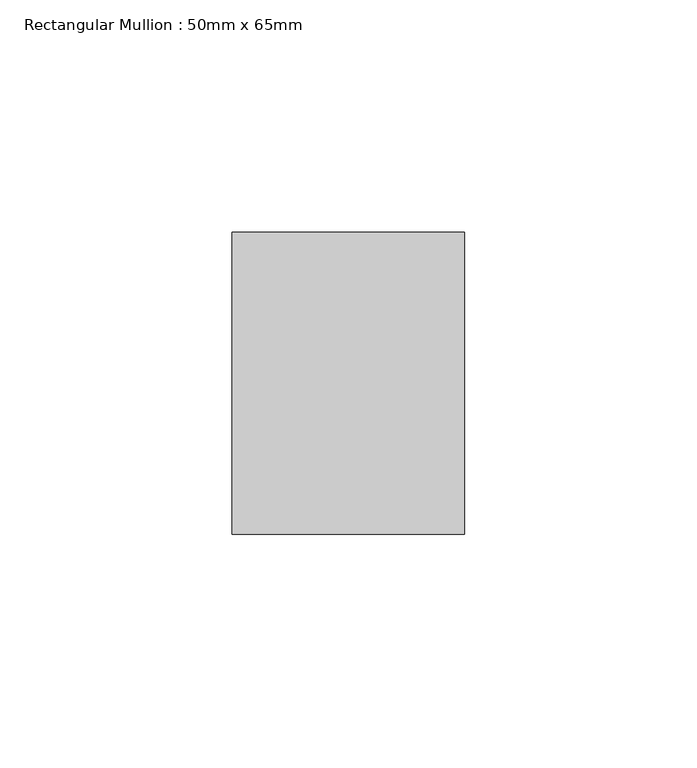
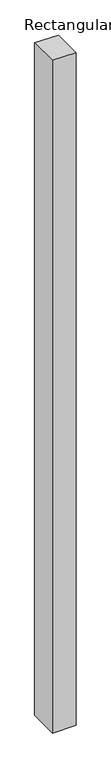
"""IFC4 building model written with IfcOpenShell, lengths in millimetres: member geometry, Rectangular Mullion : 50mm x 65mm."""

from ifc_helpers import new_model, si_unit, origin, place, context, project, spatial, faceted_brep, source, transform, mapped, element, save


def rectangular_mullion_50mm_x_65mm_ad611c6c(model_context):
    return source(origin(), model_context, "Body", "Brep", [
        faceted_brep([(-25.0, 32.5, -0.1835723), (25.0, 32.5, -0.1835712), (25.0, 32.5, -1499.73361), (-25.0, 32.5, -1499.7336085), (-25.0, -32.5, 0.1835712), (-25.0, -32.5, -1500.2665034), (25.0, -32.5, 0.1835723), (25.0, -32.5, -1500.2665048)], [[[0, 1, 2, 3]], [[4, 0, 3, 5]], [[6, 4, 5, 7]], [[1, 6, 7, 2]], [[1, 0, 4, 6]], [[2, 7, 5, 3]]]),
    ])


if __name__ == "__main__":
    model = new_model("IFC4")
    model_context = context("Model", 3, world=origin())
    ifc_project = project(units=[si_unit("LENGTHUNIT", "METRE", prefix="MILLI")], contexts=[model_context])
    site = spatial("IfcSite", under=ifc_project)
    building = spatial("IfcBuilding", under=site)
    placement = place(None, origin())
    rectangular_mullion_50mm_x_65mm_shape = rectangular_mullion_50mm_x_65mm_ad611c6c(model_context)
    element("IfcMember", 1, ObjectType="Rectangular Mullion : 50mm x 65mm", at=placement, inside=building, context=model_context, shape_type="MappedRepresentation", body=[
        mapped(rectangular_mullion_50mm_x_65mm_shape, transform((0.0, 0.0, 0.0), x_axis=(1.0, 0.0, 0.0), y_axis=(0.0, 1.0, 0.0), z_axis=(0.0, 0.0, 1.0))),
    ])
    save(model, "model.ifc")
